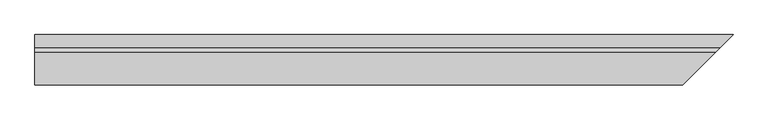
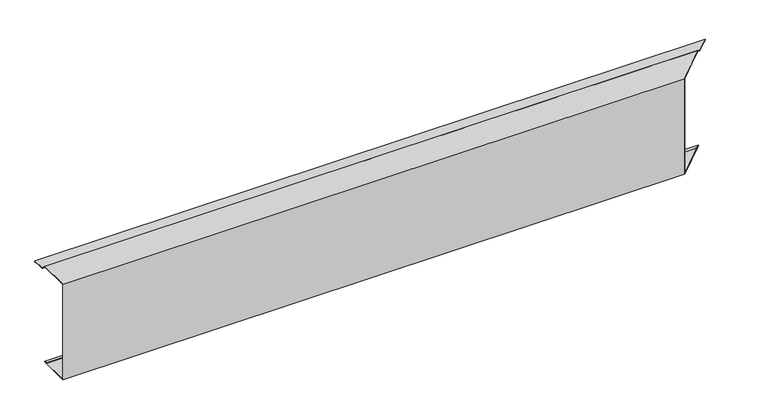
"""IFC4 building model written with IfcOpenShell, lengths in millimetres: proxy geometry."""

from ifc_helpers import new_model, si_unit, origin, place, context, project, spatial, faceted_brep, source, transform, mapped, element, save


def generic_models_7cf4adad(model_context):
    return source(origin(), model_context, "Body", "Brep", [
        faceted_brep([(0.0, 150.8492424, 2.0), (0.0, 150.8492424, 5.0), (2150.8492424, 150.8492424, 5.0), (2150.8492424, 150.8492424, 2.0), (0.0, 140.8492424, 2.0), (2140.8492424, 140.8492424, 2.0), (0.0, 140.8492424, 3.0), (2140.8492424, 140.8492424, 3.0), (0.0, 149.8492424, 3.0), (2149.8492424, 149.8492424, 3.0), (0.0, 149.8492424, 4.0), (2149.8492424, 149.8492424, 4.0), (0.0, 110.4350288, 4.0), (2110.4350288, 110.4350288, 4.0), (0.0, -3.0, -304.0), (0.0, -3.0, 18.8492424), (1997.0, -3.0, 18.8492424), (1997.0, -3.0, -304.0), (0.0, 95.0, -304.0), (0.0, 0.0, -304.0), (2000.0, 0.0, -304.0), (2095.0, 95.0, -304.0), (0.0, 95.0, -303.0), (2095.0, 95.0, -303.0), (0.0, 86.0, -303.0), (2086.0, 86.0, -303.0), (0.0, 86.0, -302.0), (2086.0, 86.0, -302.0), (0.0, 96.0, -302.0), (2096.0, 96.0, -302.0), (0.0, 96.0, -305.0), (2096.0, 96.0, -305.0), (0.0, 0.0, -305.0), (2000.0, 0.0, -305.0), (1996.0, -4.0, -305.0), (0.0, -4.0, -305.0), (0.0, -4.0, 19.8492424), (1996.0, -4.0, 19.8492424), (0.0, 110.8492424, 5.0), (2110.8492424, 110.8492424, 5.0), (0.0, 95.5857864, 18.8492424), (2095.5857864, 95.5857864, 18.8492424), (0.0, 0.0, 18.8492424), (2000.0, 0.0, 18.8492424), (0.0, 96.0, 19.8492424), (0.0, 0.0, 19.8492424), (2000.0, 0.0, 19.8492424), (2096.0, 96.0, 19.8492424)], [[[0, 1, 2, 3]], [[4, 0, 3, 5]], [[6, 4, 5, 7]], [[8, 6, 7, 9]], [[10, 8, 9, 11]], [[12, 10, 11, 13]], [[14, 15, 16, 17]], [[18, 19, 14, 17, 20, 21]], [[22, 18, 21, 23]], [[24, 22, 23, 25]], [[26, 24, 25, 27]], [[28, 26, 27, 29]], [[30, 28, 29, 31]], [[32, 30, 31, 33, 34, 35]], [[36, 35, 34, 37]], [[1, 38, 39, 2]], [[40, 12, 13, 41]], [[42, 40, 41, 43, 16, 15]], [[44, 45, 36, 37, 46, 47]], [[38, 44, 47, 39]], [[32, 19, 18, 22, 24, 26, 28, 30]], [[42, 45, 44, 38, 1, 0, 4, 6, 8, 10, 12, 40]], [[19, 32, 35, 36, 45, 42, 15, 14]], [[20, 33, 31, 29, 27, 25, 23, 21]], [[46, 43, 41, 13, 11, 9, 7, 5, 3, 2, 39, 47]], [[33, 20, 17, 16, 43, 46, 37, 34]]]),
    ])


if __name__ == "__main__":
    model = new_model("IFC4")
    model_context = context("Model", 3, world=origin())
    ifc_project = project(units=[si_unit("LENGTHUNIT", "METRE", prefix="MILLI")], contexts=[model_context])
    site = spatial("IfcSite", under=ifc_project)
    building = spatial("IfcBuilding", under=site)
    placement = place(None, origin())
    generic_models_shape = generic_models_7cf4adad(model_context)
    element("IfcBuildingElementProxy", 1, Name="Generic Models", at=placement, inside=building, context=model_context, shape_type="MappedRepresentation", body=[
        mapped(generic_models_shape, transform((0.0, 0.0, 0.0), x_axis=(1.0, 0.0, 0.0), y_axis=(0.0, 1.0, 0.0), z_axis=(0.0, 0.0, 1.0))),
    ])
    save(model, "model.ifc")
